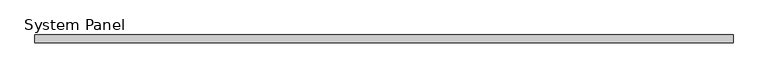
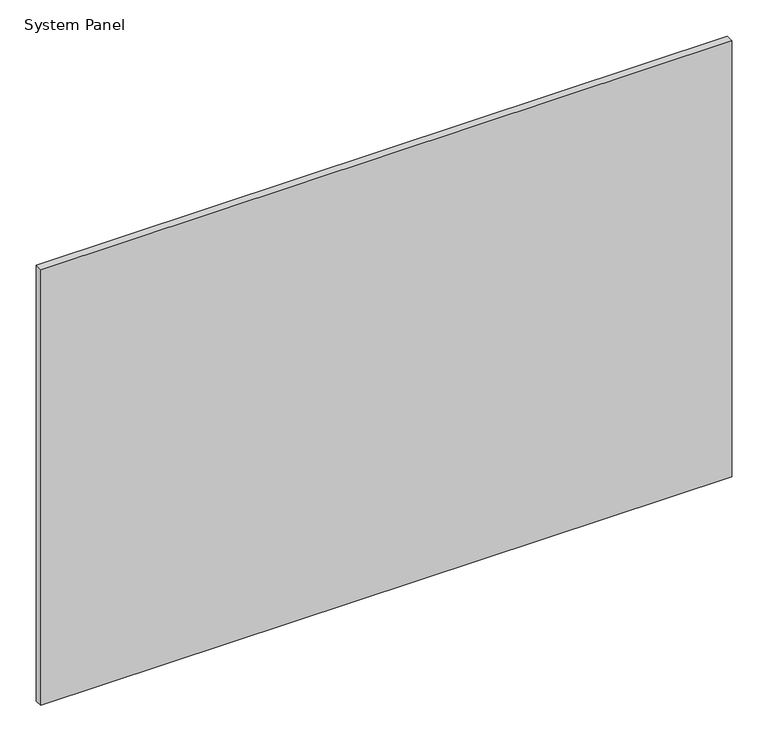
"""IFC4 building model written with IfcOpenShell, lengths in millimetres: plate geometry, System Panel."""

from ifc_helpers import new_model, si_unit, origin, origin_with_axes, place, context, project, spatial, polyline, outline, extrude, source, transform, mapped, element, save


def system_panel_9a23f8cb(model_context):
    return source(origin(), model_context, "Body", "SweptSolid", [
        extrude(outline(polyline([(548.249375, -6.0), (-548.249375, -6.0), (-548.249375, 6.0), (548.249375, 6.0), (548.249375, -6.0)])), origin_with_axes(), (0.0, 0.0, 1.0), 731.369375),
    ])


if __name__ == "__main__":
    model = new_model("IFC4")
    model_context = context("Model", 3, world=origin())
    ifc_project = project(units=[si_unit("LENGTHUNIT", "METRE", prefix="MILLI")], contexts=[model_context])
    site = spatial("IfcSite", under=ifc_project)
    building = spatial("IfcBuilding", under=site)
    placement = place(None, origin())
    system_panel_shape = system_panel_9a23f8cb(model_context)
    element("IfcPlate", 1, ObjectType="System Panel", at=placement, inside=building, context=model_context, shape_type="MappedRepresentation", body=[
        mapped(system_panel_shape, transform((0.0, 0.0, 0.0), x_axis=(1.0, 0.0, 0.0), y_axis=(0.0, 1.0, 0.0), z_axis=(0.0, 0.0, 1.0))),
    ])
    save(model, "model.ifc")
